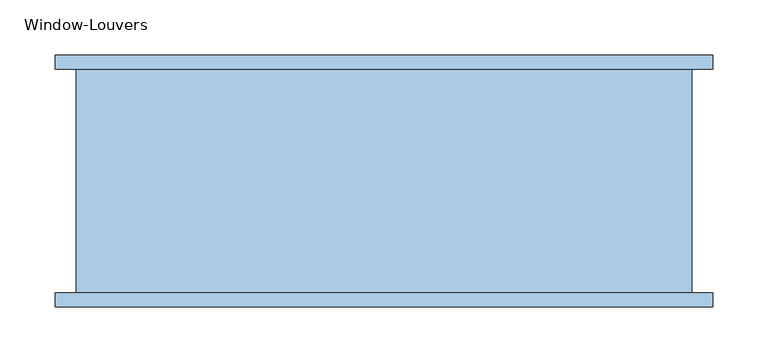
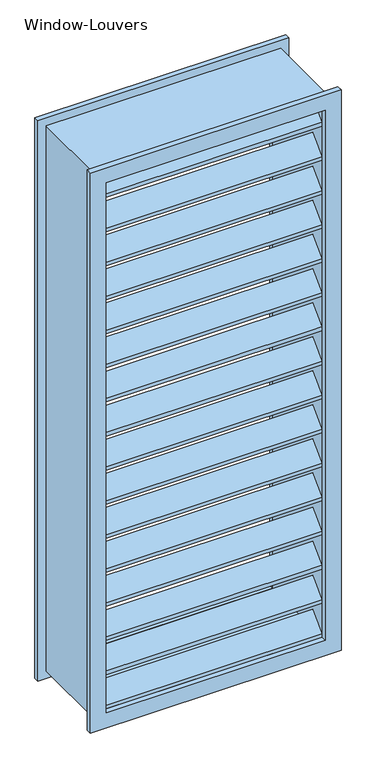
"""IFC4 building model written with IfcOpenShell, lengths in millimetres: window geometry, Window-Louvers."""

from ifc_helpers import new_model, si_unit, frame, origin, place, context, project, spatial, polyline, outline, extrude, source, transform, mapped, element, save


def window_louvers_7494edaa(model_context):
    return source(origin(), model_context, "Body", "SweptSolid", [
        extrude(outline(polyline([(-95.25, 2143.0886837), (-57.15, 2181.1886837), (-19.05, 2143.0886837), (-19.05, 2134.1084276), (-57.15, 2172.2084276), (-95.25, 2134.1084276), (-95.25, 2143.0886837)])), frame((-260.35, 0.0, 0.0), z_axis=(1.0, 0.0, 0.0), x_axis=(0.0, 1.0, 0.0)), (0.0, 0.0, 1.0), 520.7),
        extrude(outline(polyline([(-95.25, 2057.3273675), (-57.15, 2095.4273675), (-19.05, 2057.3273675), (-19.05, 2048.3471114), (-57.15, 2086.4471114), (-95.25, 2048.3471114), (-95.25, 2057.3273675)])), frame((-260.35, 0.0, 0.0), z_axis=(1.0, 0.0, 0.0), x_axis=(0.0, 1.0, 0.0)), (0.0, 0.0, 1.0), 520.7),
        extrude(outline(polyline([(-95.25, 1971.5660512), (-57.15, 2009.6660512), (-19.05, 1971.5660512), (-19.05, 1962.5857951), (-57.15, 2000.6857951), (-95.25, 1962.5857951), (-95.25, 1971.5660512)])), frame((-260.35, 0.0, 0.0), z_axis=(1.0, 0.0, 0.0), x_axis=(0.0, 1.0, 0.0)), (0.0, 0.0, 1.0), 520.7),
        extrude(outline(polyline([(-95.25, 1885.804735), (-57.15, 1923.904735), (-19.05, 1885.804735), (-19.05, 1876.8244788), (-57.15, 1914.9244788), (-95.25, 1876.8244788), (-95.25, 1885.804735)])), frame((-260.35, 0.0, 0.0), z_axis=(1.0, 0.0, 0.0), x_axis=(0.0, 1.0, 0.0)), (0.0, 0.0, 1.0), 520.7),
        extrude(outline(polyline([(-95.25, 1800.0434187), (-57.15, 1838.1434187), (-19.05, 1800.0434187), (-19.05, 1791.0631626), (-57.15, 1829.1631626), (-95.25, 1791.0631626), (-95.25, 1800.0434187)])), frame((-260.35, 0.0, 0.0), z_axis=(1.0, 0.0, 0.0), x_axis=(0.0, 1.0, 0.0)), (0.0, 0.0, 1.0), 520.7),
        extrude(outline(polyline([(-95.25, 1714.2821024), (-57.15, 1752.3821024), (-19.05, 1714.2821024), (-19.05, 1705.3018463), (-57.15, 1743.4018463), (-95.25, 1705.3018463), (-95.25, 1714.2821024)])), frame((-260.35, 0.0, 0.0), z_axis=(1.0, 0.0, 0.0), x_axis=(0.0, 1.0, 0.0)), (0.0, 0.0, 1.0), 520.7),
        extrude(outline(polyline([(-95.25, 1628.5207862), (-57.15, 1666.6207862), (-19.05, 1628.5207862), (-19.05, 1619.5405301), (-57.15, 1657.6405301), (-95.25, 1619.5405301), (-95.25, 1628.5207862)])), frame((-260.35, 0.0, 0.0), z_axis=(1.0, 0.0, 0.0), x_axis=(0.0, 1.0, 0.0)), (0.0, 0.0, 1.0), 520.7),
        extrude(outline(polyline([(-95.25, 1542.7594699), (-57.15, 1580.8594699), (-19.05, 1542.7594699), (-19.05, 1533.7792138), (-57.15, 1571.8792138), (-95.25, 1533.7792138), (-95.25, 1542.7594699)])), frame((-260.35, 0.0, 0.0), z_axis=(1.0, 0.0, 0.0), x_axis=(0.0, 1.0, 0.0)), (0.0, 0.0, 1.0), 520.7),
        extrude(outline(polyline([(-95.25, 1456.9981537), (-57.15, 1495.0981537), (-19.05, 1456.9981537), (-19.05, 1448.0178976), (-57.15, 1486.1178976), (-95.25, 1448.0178976), (-95.25, 1456.9981537)])), frame((-260.35, 0.0, 0.0), z_axis=(1.0, 0.0, 0.0), x_axis=(0.0, 1.0, 0.0)), (0.0, 0.0, 1.0), 520.7),
        extrude(outline(polyline([(-95.25, 1371.2368374), (-57.15, 1409.3368374), (-19.05, 1371.2368374), (-19.05, 1362.2565813), (-57.15, 1400.3565813), (-95.25, 1362.2565813), (-95.25, 1371.2368374)])), frame((-260.35, 0.0, 0.0), z_axis=(1.0, 0.0, 0.0), x_axis=(0.0, 1.0, 0.0)), (0.0, 0.0, 1.0), 520.7),
        extrude(outline(polyline([(-95.25, 1285.4755212), (-57.15, 1323.5755212), (-19.05, 1285.4755212), (-19.05, 1276.495265), (-57.15, 1314.595265), (-95.25, 1276.495265), (-95.25, 1285.4755212)])), frame((-260.35, 0.0, 0.0), z_axis=(1.0, 0.0, 0.0), x_axis=(0.0, 1.0, 0.0)), (0.0, 0.0, 1.0), 520.7),
        extrude(outline(polyline([(-95.25, 1199.7142049), (-57.15, 1237.8142049), (-19.05, 1199.7142049), (-19.05, 1190.7339488), (-57.15, 1228.8339488), (-95.25, 1190.7339488), (-95.25, 1199.7142049)])), frame((-260.35, 0.0, 0.0), z_axis=(1.0, 0.0, 0.0), x_axis=(0.0, 1.0, 0.0)), (0.0, 0.0, 1.0), 520.7),
        extrude(outline(polyline([(-95.25, 1113.9528886), (-57.15, 1152.0528886), (-19.05, 1113.9528886), (-19.05, 1104.9726325), (-57.15, 1143.0726325), (-95.25, 1104.9726325), (-95.25, 1113.9528886)])), frame((-260.35, 0.0, 0.0), z_axis=(1.0, 0.0, 0.0), x_axis=(0.0, 1.0, 0.0)), (0.0, 0.0, 1.0), 520.7),
        extrude(outline(polyline([(-95.25, 1028.1915724), (-57.15, 1066.2915724), (-19.05, 1028.1915724), (-19.05, 1019.2113163), (-57.15, 1057.3113163), (-95.25, 1019.2113163), (-95.25, 1028.1915724)])), frame((-260.35, 0.0, 0.0), z_axis=(1.0, 0.0, 0.0), x_axis=(0.0, 1.0, 0.0)), (0.0, 0.0, 1.0), 520.7),
        extrude(outline(polyline([(-95.25, 2228.85), (-57.15, 2266.95), (-19.05, 2228.85), (-19.05, 2219.8697439), (-57.15, 2257.9697439), (-95.25, 2219.8697439), (-95.25, 2228.85)])), frame((-260.35, 0.0, 0.0), z_axis=(1.0, 0.0, 0.0), x_axis=(0.0, 1.0, 0.0)), (0.0, 0.0, 1.0), 520.7),
        extrude(outline(polyline([(-95.25, 942.4302561), (-57.15, 980.5302561), (-19.05, 942.4302561), (-19.05, 933.45), (-57.15, 971.55), (-95.25, 933.45), (-95.25, 942.4302561)])), frame((-260.35, 0.0, 0.0), z_axis=(1.0, 0.0, 0.0), x_axis=(0.0, 1.0, 0.0)), (0.0, 0.0, 1.0), 520.7),
        extrude(outline(polyline([(2286.0, 279.4), (2286.0, -279.4), (914.4, -279.4), (914.4, 279.4), (2286.0, 279.4)]), holes=[polyline([(2266.95, 260.35), (933.45, 260.35), (933.45, -260.35), (2266.95, -260.35), (2266.95, 260.35)])]), frame((0.0, -95.25, 0.0), z_axis=(0.0, 1.0, 0.0), x_axis=(0.0, 0.0, 1.0)), (0.0, 0.0, 1.0), 203.2),
        extrude(outline(polyline([(2305.05, 298.45), (2305.05, -298.45), (895.35, -298.45), (895.35, 298.45), (2305.05, 298.45)]), holes=[polyline([(2266.95, 260.35), (933.45, 260.35), (933.45, -260.35), (2266.95, -260.35), (2266.95, 260.35)])]), frame((0.0, 107.95, 0.0), z_axis=(0.0, 1.0, 0.0), x_axis=(0.0, 0.0, 1.0)), (0.0, 0.0, 1.0), 12.7),
        extrude(outline(polyline([(2305.05, -298.45), (895.35, -298.45), (895.35, 298.45), (2305.05, 298.45), (2305.05, -298.45)]), holes=[polyline([(2266.95, -260.35), (2266.95, 260.35), (933.45, 260.35), (933.45, -260.35), (2266.95, -260.35)])]), frame((0.0, -107.95, 0.0), z_axis=(0.0, 1.0, 0.0), x_axis=(0.0, 0.0, 1.0)), (0.0, 0.0, 1.0), 12.7),
    ])


if __name__ == "__main__":
    model = new_model("IFC4")
    model_context = context("Model", 3, world=origin())
    ifc_project = project(units=[si_unit("LENGTHUNIT", "METRE", prefix="MILLI")], contexts=[model_context])
    site = spatial("IfcSite", under=ifc_project)
    building = spatial("IfcBuilding", under=site)
    placement = place(None, origin())
    window_louvers_shape = window_louvers_7494edaa(model_context)
    element("IfcWindow", 1, ObjectType="Window-Louvers", at=placement, inside=building, context=model_context, shape_type="MappedRepresentation", body=[
        mapped(window_louvers_shape, transform((0.0, 0.0, 0.0), x_axis=(1.0, 0.0, 0.0), y_axis=(0.0, 1.0, 0.0), z_axis=(0.0, 0.0, 1.0))),
    ])
    save(model, "model.ifc")
